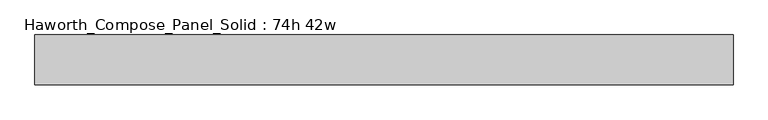
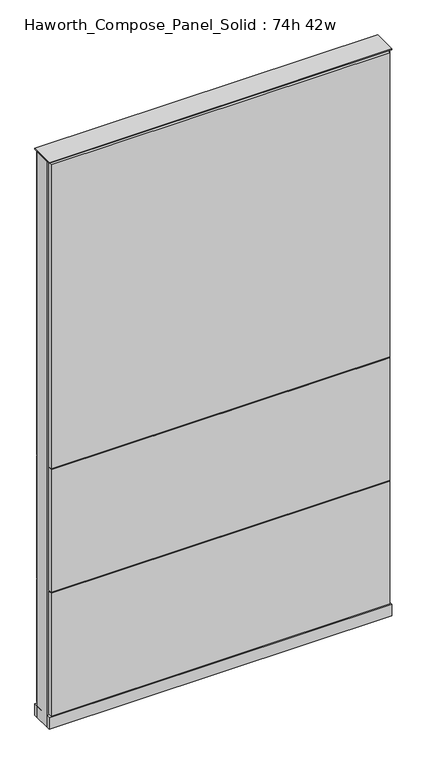
"""IFC4 building model written with IfcOpenShell, lengths in millimetres: furniture geometry, Haworth_Compose_Panel_Solid : 74h 42w."""

from ifc_helpers import new_model, si_unit, point, frame, frame_2d, origin, origin_with_axes, place, context, project, spatial, polyline, circle_curve, trimmed, segment, composite_curve, outline, extrude, source, transform, mapped, element, save


def haworth_compose_panel_solid_74h_42w_a6ac0015(model_context):
    return source(origin(), model_context, "Body", "SweptSolid", [
        extrude(outline(composite_curve([segment(trimmed(circle_curve(frame_2d((-454.7597098, 0.0)), 12.7), [point((-467.4597098, 0.0))], [point((-442.0597098, 0.0))], False, "CARTESIAN"), True, "CONTINUOUS"), segment(trimmed(circle_curve(frame_2d((-454.7597098, 0.0)), 12.7), [point((-442.0597098, 0.0))], [point((-467.4597098, 0.0))], False, "CARTESIAN"), True, "CONTINUOUS")], self_intersect=False)), origin_with_axes(), (0.0, 0.0, 1.0), 12.7),
        extrude(outline(composite_curve([segment(trimmed(circle_curve(frame_2d((459.6402902, 0.0)), 12.7), [point((446.9402902, 0.0))], [point((472.3402902, 0.0))], False, "CARTESIAN"), True, "CONTINUOUS"), segment(trimmed(circle_curve(frame_2d((459.6402902, 0.0)), 12.7), [point((472.3402902, 0.0))], [point((446.9402902, 0.0))], False, "CARTESIAN"), True, "CONTINUOUS")], self_intersect=False)), origin_with_axes(), (0.0, 0.0, 1.0), 12.7),
        extrude(outline(polyline([(529.4902902, 38.1), (529.4902902, 25.4), (-524.6097098, 25.4), (-524.6097098, 38.1), (529.4902902, 38.1)])), frame((0.0, 0.0, 866.775), z_axis=(0.0, 0.0, 1.0), x_axis=(1.0, 0.0, 0.0)), (0.0, 0.0, 1.0), 1000.125),
        extrude(outline(polyline([(529.4902902, 38.1), (529.4902902, 25.4), (-524.6097098, 25.4), (-524.6097098, 38.1), (529.4902902, 38.1)])), frame((0.0, 0.0, 460.375), z_axis=(0.0, 0.0, 1.0), x_axis=(1.0, 0.0, 0.0)), (0.0, 0.0, 1.0), 403.225),
        extrude(outline(polyline([(529.4902902, 38.1), (529.4902902, 25.4), (-524.6097098, 25.4), (-524.6097098, 38.1), (529.4902902, 38.1)])), frame((0.0, 0.0, 53.975), z_axis=(0.0, 0.0, 1.0), x_axis=(1.0, 0.0, 0.0)), (0.0, 0.0, 1.0), 403.225),
        extrude(outline(polyline([(529.4902902, -38.1), (-524.6097098, -38.1), (-524.6097098, -25.4), (529.4902902, -25.4), (529.4902902, -38.1)])), frame((0.0, 0.0, 866.775), z_axis=(0.0, 0.0, 1.0), x_axis=(1.0, 0.0, 0.0)), (0.0, 0.0, 1.0), 1000.125),
        extrude(outline(polyline([(529.4902902, -38.1), (-524.6097098, -38.1), (-524.6097098, -25.4), (529.4902902, -25.4), (529.4902902, -38.1)])), frame((0.0, 0.0, 460.375), z_axis=(0.0, 0.0, 1.0), x_axis=(1.0, 0.0, 0.0)), (0.0, 0.0, 1.0), 403.225),
        extrude(outline(polyline([(529.4902902, -38.1), (-524.6097098, -38.1), (-524.6097098, -25.4), (529.4902902, -25.4), (529.4902902, -38.1)])), frame((0.0, 0.0, 53.975), z_axis=(0.0, 0.0, 1.0), x_axis=(1.0, 0.0, 0.0)), (0.0, 0.0, 1.0), 403.225),
        extrude(outline(polyline([(535.8402902, 25.4), (535.8402902, -25.4), (-530.9597098, -25.4), (-530.9597098, 25.4), (535.8402902, 25.4)])), frame((0.0, 0.0, 12.7), z_axis=(0.0, 0.0, 1.0), x_axis=(1.0, 0.0, 0.0)), (0.0, 0.0, 1.0), 1860.55),
        extrude(outline(polyline([(-530.9597098, -38.1), (-530.9597098, 38.1), (535.8402902, 38.1), (535.8402902, -38.1), (-530.9597098, -38.1)])), frame((0.0, 0.0, 12.7), z_axis=(0.0, 0.0, 1.0), x_axis=(1.0, 0.0, 0.0)), (0.0, 0.0, 1.0), 38.1),
        extrude(outline(polyline([(-530.9597098, -38.1), (-530.9597098, 38.1), (535.8402902, 38.1), (535.8402902, -38.1), (-530.9597098, -38.1)])), frame((0.0, 0.0, 1873.25), z_axis=(0.0, 0.0, 1.0), x_axis=(1.0, 0.0, 0.0)), (0.0, 0.0, 1.0), 3.175),
    ])


if __name__ == "__main__":
    model = new_model("IFC4")
    model_context = context("Model", 3, world=origin())
    ifc_project = project(units=[si_unit("LENGTHUNIT", "METRE", prefix="MILLI")], contexts=[model_context])
    site = spatial("IfcSite", under=ifc_project)
    building = spatial("IfcBuilding", under=site)
    placement = place(None, origin())
    haworth_compose_panel_solid_74h_42w_shape = haworth_compose_panel_solid_74h_42w_a6ac0015(model_context)
    element("IfcFurniture", 1, ObjectType="Haworth_Compose_Panel_Solid : 74h 42w", at=placement, inside=building, context=model_context, shape_type="MappedRepresentation", body=[
        mapped(haworth_compose_panel_solid_74h_42w_shape, transform((0.0, 0.0, 0.0), x_axis=(1.0, 0.0, 0.0), y_axis=(0.0, 1.0, 0.0), z_axis=(0.0, 0.0, 1.0))),
    ])
    save(model, "model.ifc")
